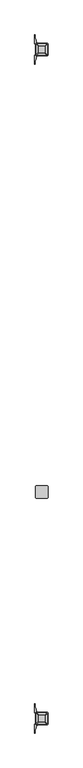
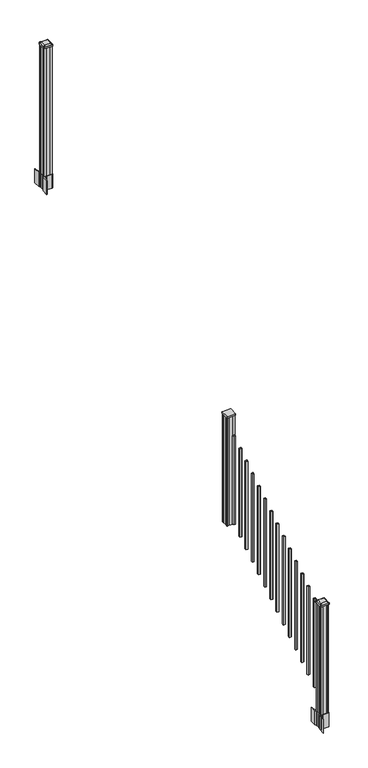
"""IFC4 building model written with IfcOpenShell, lengths in millimetres: railing geometry."""

from ifc_helpers import new_model, si_unit, point, frame, frame_2d, origin, place, context, project, spatial, polyline, circle_curve, trimmed, segment, composite_curve, outline, extrude, source, transform, mapped, element, save
from ifc_brep_helpers import plane_surface, extruded_surface, advanced_brep


def railing_dc2dd260(model_context):
    return source(origin(), model_context, "Body", "SolidModel", [
        extrude(outline(composite_curve([segment(trimmed(circle_curve(frame_2d((12573.8114534, -6074.6042181)), 3.175), [point((12573.8114534, -6077.7792181))], [point((12570.6364534, -6074.6042181))], False, "CARTESIAN"), True, "CONTINUOUS"), segment(polyline([(12570.6364534, -6074.6042181), (12570.6364534, -5990.4667181)]), True, "CONTINUOUS"), segment(trimmed(circle_curve(frame_2d((12573.8114534, -5990.4667181)), 3.175), [point((12570.6364534, -5990.4667181))], [point((12573.8114534, -5987.2917181))], False, "CARTESIAN"), True, "CONTINUOUS"), segment(polyline([(12573.8114534, -5987.2917181), (12657.9489534, -5987.2917181)]), True, "CONTINUOUS"), segment(trimmed(circle_curve(frame_2d((12657.9489534, -5990.4667181)), 3.175), [point((12657.9489534, -5987.2917181))], [point((12661.1239534, -5990.4667181))], False, "CARTESIAN"), True, "CONTINUOUS"), segment(polyline([(12661.1239534, -5990.4667181), (12661.1239534, -6074.6042181)]), True, "CONTINUOUS"), segment(trimmed(circle_curve(frame_2d((12657.9489534, -6074.6042181)), 3.175), [point((12661.1239534, -6074.6042181))], [point((12657.9489534, -6077.7792181))], False, "CARTESIAN"), True, "CONTINUOUS"), segment(polyline([(12657.9489534, -6077.7792181), (12573.8114534, -6077.7792181)]), True, "CONTINUOUS")], self_intersect=False)), frame((0.0, 0.0, 2397.566763), z_axis=(0.0, 0.0, 1.0), x_axis=(1.0, 0.0, 0.0)), (0.0, 0.0, 1.0), 17.272),
        extrude(outline(polyline([(12576.1927034, -6073.8104681), (12574.6052034, -6072.2229681), (12574.6052034, -6052.6014681), (12576.1927034, -6051.8394681), (12576.1927034, -6013.2314681), (12574.6052034, -6012.4694681), (12574.6052034, -5992.8479681), (12576.1927034, -5991.2604681), (12595.8142034, -5991.2604681), (12596.5762034, -5992.8479681), (12635.1842034, -5992.8479681), (12635.9462034, -5991.2604681), (12655.5677034, -5991.2604681), (12657.1552034, -5992.8479681), (12657.1552034, -6012.4694681), (12655.5677034, -6013.2314681), (12655.5677034, -6051.8394681), (12657.1552034, -6052.6014681), (12657.1552034, -6072.2229681), (12655.5677034, -6073.8104681), (12635.9462034, -6073.8104681), (12635.1842034, -6072.2229681), (12596.5762034, -6072.2229681), (12595.8142034, -6073.8104681), (12576.1927034, -6073.8104681)])), frame((0.0, 0.0, 1213.8025), z_axis=(0.0, 0.0, 1.0), x_axis=(1.0, 0.0, 0.0)), (0.0, 0.0, 1.0), 1183.764263),
        extrude(outline(polyline([(12625.4052034, -6137.5644681), (12606.3552034, -6137.5644681), (12606.3552034, -6118.5144681), (12625.4052034, -6118.5144681), (12625.4052034, -6137.5644681)]), holes=[polyline([(12625.0083284, -6137.1675931), (12625.0083284, -6118.9113431), (12606.7520784, -6118.9113431), (12606.7520784, -6137.1675931), (12625.0083284, -6137.1675931)])]), frame((0.0, 0.0, 1255.7083781), z_axis=(0.0, 0.0, 1.0), x_axis=(1.0, 0.0, 0.0)), (0.0, 0.0, 1.0), 965.2041219),
        extrude(outline(polyline([(12625.4052034, -6248.8164681), (12606.3552034, -6248.8164681), (12606.3552034, -6229.7664681), (12625.4052034, -6229.7664681), (12625.4052034, -6248.8164681)]), holes=[polyline([(12625.0083284, -6248.4195931), (12625.0083284, -6230.1633431), (12606.7520784, -6230.1633431), (12606.7520784, -6248.4195931), (12625.0083284, -6248.4195931)])]), frame((0.0, 0.0, 1186.1758781), z_axis=(0.0, 0.0, 1.0), x_axis=(1.0, 0.0, 0.0)), (0.0, 0.0, 1.0), 965.2041219),
        extrude(outline(polyline([(12625.4052034, -6360.0684681), (12606.3552034, -6360.0684681), (12606.3552034, -6341.0184681), (12625.4052034, -6341.0184681), (12625.4052034, -6360.0684681)]), holes=[polyline([(12625.0083284, -6359.6715931), (12625.0083284, -6341.4153431), (12606.7520784, -6341.4153431), (12606.7520784, -6359.6715931), (12625.0083284, -6359.6715931)])]), frame((0.0, 0.0, 1116.6433781), z_axis=(0.0, 0.0, 1.0), x_axis=(1.0, 0.0, 0.0)), (0.0, 0.0, 1.0), 965.2041219),
        extrude(outline(polyline([(12625.4052034, -6471.3204681), (12606.3552034, -6471.3204681), (12606.3552034, -6452.2704681), (12625.4052034, -6452.2704681), (12625.4052034, -6471.3204681)]), holes=[polyline([(12625.0083284, -6470.9235931), (12625.0083284, -6452.6673431), (12606.7520784, -6452.6673431), (12606.7520784, -6470.9235931), (12625.0083284, -6470.9235931)])]), frame((0.0, 0.0, 1047.1108781), z_axis=(0.0, 0.0, 1.0), x_axis=(1.0, 0.0, 0.0)), (0.0, 0.0, 1.0), 965.2041219),
        extrude(outline(polyline([(12625.4052034, -6582.5724681), (12606.3552034, -6582.5724681), (12606.3552034, -6563.5224681), (12625.4052034, -6563.5224681), (12625.4052034, -6582.5724681)]), holes=[polyline([(12625.0083284, -6582.1755931), (12625.0083284, -6563.9193431), (12606.7520784, -6563.9193431), (12606.7520784, -6582.1755931), (12625.0083284, -6582.1755931)])]), frame((0.0, 0.0, 977.5783781), z_axis=(0.0, 0.0, 1.0), x_axis=(1.0, 0.0, 0.0)), (0.0, 0.0, 1.0), 965.2041219),
        extrude(outline(polyline([(12625.4052034, -6693.8244681), (12606.3552034, -6693.8244681), (12606.3552034, -6674.7744681), (12625.4052034, -6674.7744681), (12625.4052034, -6693.8244681)]), holes=[polyline([(12625.0083284, -6693.4275931), (12625.0083284, -6675.1713431), (12606.7520784, -6675.1713431), (12606.7520784, -6693.4275931), (12625.0083284, -6693.4275931)])]), frame((0.0, 0.0, 908.0458781), z_axis=(0.0, 0.0, 1.0), x_axis=(1.0, 0.0, 0.0)), (0.0, 0.0, 1.0), 965.2041219),
        extrude(outline(polyline([(12625.4052034, -6805.0764681), (12606.3552034, -6805.0764681), (12606.3552034, -6786.0264681), (12625.4052034, -6786.0264681), (12625.4052034, -6805.0764681)]), holes=[polyline([(12625.0083284, -6804.6795931), (12625.0083284, -6786.4233431), (12606.7520784, -6786.4233431), (12606.7520784, -6804.6795931), (12625.0083284, -6804.6795931)])]), frame((0.0, 0.0, 838.5133781), z_axis=(0.0, 0.0, 1.0), x_axis=(1.0, 0.0, 0.0)), (0.0, 0.0, 1.0), 965.2041219),
        extrude(outline(polyline([(12625.4052034, -6916.3284681), (12606.3552034, -6916.3284681), (12606.3552034, -6897.2784681), (12625.4052034, -6897.2784681), (12625.4052034, -6916.3284681)]), holes=[polyline([(12625.0083284, -6915.9315931), (12625.0083284, -6897.6753431), (12606.7520784, -6897.6753431), (12606.7520784, -6915.9315931), (12625.0083284, -6915.9315931)])]), frame((0.0, 0.0, 768.9808781), z_axis=(0.0, 0.0, 1.0), x_axis=(1.0, 0.0, 0.0)), (0.0, 0.0, 1.0), 965.2041219),
        extrude(outline(polyline([(12625.4052034, -7027.5804681), (12606.3552034, -7027.5804681), (12606.3552034, -7008.5304681), (12625.4052034, -7008.5304681), (12625.4052034, -7027.5804681)]), holes=[polyline([(12625.0083284, -7027.1835931), (12625.0083284, -7008.9273431), (12606.7520784, -7008.9273431), (12606.7520784, -7027.1835931), (12625.0083284, -7027.1835931)])]), frame((0.0, 0.0, 699.4483781), z_axis=(0.0, 0.0, 1.0), x_axis=(1.0, 0.0, 0.0)), (0.0, 0.0, 1.0), 965.2041219),
        extrude(outline(polyline([(12625.4052034, -7138.8324681), (12606.3552034, -7138.8324681), (12606.3552034, -7119.7824681), (12625.4052034, -7119.7824681), (12625.4052034, -7138.8324681)]), holes=[polyline([(12625.0083284, -7138.4355931), (12625.0083284, -7120.1793431), (12606.7520784, -7120.1793431), (12606.7520784, -7138.4355931), (12625.0083284, -7138.4355931)])]), frame((0.0, 0.0, 629.9158781), z_axis=(0.0, 0.0, 1.0), x_axis=(1.0, 0.0, 0.0)), (0.0, 0.0, 1.0), 965.2041219),
        extrude(outline(polyline([(12625.4052034, -7250.0844681), (12606.3552034, -7250.0844681), (12606.3552034, -7231.0344681), (12625.4052034, -7231.0344681), (12625.4052034, -7250.0844681)]), holes=[polyline([(12625.0083284, -7249.6875931), (12625.0083284, -7231.4313431), (12606.7520784, -7231.4313431), (12606.7520784, -7249.6875931), (12625.0083284, -7249.6875931)])]), frame((0.0, 0.0, 560.3833781), z_axis=(0.0, 0.0, 1.0), x_axis=(1.0, 0.0, 0.0)), (0.0, 0.0, 1.0), 965.2041219),
        extrude(outline(polyline([(12625.4052034, -7361.3364681), (12606.3552034, -7361.3364681), (12606.3552034, -7342.2864681), (12625.4052034, -7342.2864681), (12625.4052034, -7361.3364681)]), holes=[polyline([(12625.0083284, -7360.9395931), (12625.0083284, -7342.6833431), (12606.7520784, -7342.6833431), (12606.7520784, -7360.9395931), (12625.0083284, -7360.9395931)])]), frame((0.0, 0.0, 490.8508781), z_axis=(0.0, 0.0, 1.0), x_axis=(1.0, 0.0, 0.0)), (0.0, 0.0, 1.0), 965.2041219),
        extrude(outline(polyline([(12625.4052034, -7472.5884681), (12606.3552034, -7472.5884681), (12606.3552034, -7453.5384681), (12625.4052034, -7453.5384681), (12625.4052034, -7472.5884681)]), holes=[polyline([(12625.0083284, -7472.1915931), (12625.0083284, -7453.9353431), (12606.7520784, -7453.9353431), (12606.7520784, -7472.1915931), (12625.0083284, -7472.1915931)])]), frame((0.0, 0.0, 421.3183781), z_axis=(0.0, 0.0, 1.0), x_axis=(1.0, 0.0, 0.0)), (0.0, 0.0, 1.0), 965.2041219),
        extrude(outline(polyline([(12625.4052034, -7583.8404681), (12606.3552034, -7583.8404681), (12606.3552034, -7564.7904681), (12625.4052034, -7564.7904681), (12625.4052034, -7583.8404681)]), holes=[polyline([(12625.0083284, -7583.4435931), (12625.0083284, -7565.1873431), (12606.7520784, -7565.1873431), (12606.7520784, -7583.4435931), (12625.0083284, -7583.4435931)])]), frame((0.0, 0.0, 351.7858781), z_axis=(0.0, 0.0, 1.0), x_axis=(1.0, 0.0, 0.0)), (0.0, 0.0, 1.0), 965.2041219),
        extrude(outline(polyline([(12576.1927034, -2792.8924681), (12574.6052034, -2791.3049681), (12574.6052034, -2771.6834681), (12576.1927034, -2770.9214681), (12576.1927034, -2732.3134681), (12574.6052034, -2731.5514681), (12574.6052034, -2711.9299681), (12576.1927034, -2710.3424681), (12595.8142034, -2710.3424681), (12596.5762034, -2711.9299681), (12635.1842034, -2711.9299681), (12635.9462034, -2710.3424681), (12655.5677034, -2710.3424681), (12657.1552034, -2711.9299681), (12657.1552034, -2731.5514681), (12655.5677034, -2732.3134681), (12655.5677034, -2770.9214681), (12657.1552034, -2771.6834681), (12657.1552034, -2791.3049681), (12655.5677034, -2792.8924681), (12635.9462034, -2792.8924681), (12635.1842034, -2791.3049681), (12596.5762034, -2791.3049681), (12595.8142034, -2792.8924681), (12576.1927034, -2792.8924681)])), frame((0.0, 0.0, 3048.0), z_axis=(0.0, 0.0, 1.0), x_axis=(1.0, 0.0, 0.0)), (0.0, 0.0, 1.0), 1400.140513),
        extrude(outline(composite_curve([segment(polyline([(12658.6157034, -2769.003563), (12660.2032034, -2769.765563), (12660.2032034, -2792.567491), (12656.8302263, -2795.9404681), (12595.3705555, -2795.9404681), (12595.3705555, -2796.8612181), (12590.0530117, -2796.8612181), (12590.0530117, -2798.3154728), (12584.968482, -2798.3154728), (12584.968482, -2799.5994966), (12583.3012097, -2799.5994966)]), True, "CONTINUOUS"), segment(trimmed(circle_curve(frame_2d((12583.3012097, -2806.6589565)), 7.0594599), [point((12583.3012097, -2799.5994966))], [point((12576.5339468, -2804.6489498))], True, "CARTESIAN"), True, "CONTINUOUS"), segment(polyline([(12576.5339468, -2804.6489498), (12568.6597526, -2831.1596789)]), True, "CONTINUOUS"), segment(trimmed(circle_curve(frame_2d((12623.4442659, -2847.4317285)), 57.15), [point((12568.6597526, -2831.1596789))], [point((12566.2942659, -2847.4317285))], True, "CARTESIAN"), True, "CONTINUOUS"), segment(polyline([(12566.2942659, -2847.4317285), (12566.2942659, -2859.4404681), (12563.2942659, -2859.4404681), (12563.2942659, -2794.3529681), (12571.5572034, -2783.0146768), (12571.5572034, -2769.765563), (12573.1447034, -2769.003563), (12573.1447034, -2734.2313732), (12571.5572034, -2733.4693732), (12571.5572034, -2720.2202594), (12563.2942659, -2708.8819681), (12563.2942659, -2643.7944681), (12566.2942659, -2643.7944681), (12566.2942659, -2655.8032076)]), True, "CONTINUOUS"), segment(trimmed(circle_curve(frame_2d((12623.4442659, -2655.8032076)), 57.15), [point((12566.2942659, -2655.8032076))], [point((12568.6597526, -2672.0752573))], True, "CARTESIAN"), True, "CONTINUOUS"), segment(polyline([(12568.6597526, -2672.0752573), (12576.5339468, -2698.5859864)]), True, "CONTINUOUS"), segment(trimmed(circle_curve(frame_2d((12583.3012097, -2696.5759797)), 7.0594599), [point((12576.5339468, -2698.5859864))], [point((12583.3012097, -2703.6354396))], True, "CARTESIAN"), True, "CONTINUOUS"), segment(polyline([(12583.3012097, -2703.6354396), (12584.968482, -2703.6354396), (12584.968482, -2704.9194634), (12590.0530117, -2704.9194634), (12590.0530117, -2706.3737181), (12595.3705555, -2706.3737181), (12595.3705555, -2707.2944681), (12656.8302263, -2707.2944681), (12660.2032034, -2710.6674452), (12660.2032034, -2733.4693732), (12658.6157034, -2734.2313732), (12658.6157034, -2769.003563)]), True, "CONTINUOUS")], self_intersect=False), holes=[polyline([(12574.6052034, -2711.9299681), (12574.6052034, -2791.3049681), (12576.1927034, -2792.8924681), (12613.116986, -2792.8924681), (12655.5677034, -2792.8924681), (12657.1552034, -2791.3049681), (12657.1552034, -2711.9299681), (12655.5677034, -2710.3424681), (12613.116986, -2710.3424681), (12576.1927034, -2710.3424681), (12574.6052034, -2711.9299681)])]), frame((0.0, 0.0, 2895.6), z_axis=(0.0, 0.0, 1.0), x_axis=(1.0, 0.0, 0.0)), (0.0, 0.0, 1.0), 152.4),
        advanced_brep(
        [(12590.0833284, -2780.5893431, 4476.715513), (12641.6770784, -2780.5893431, 4476.715513), (12644.8520784, -2777.4143431, 4476.715513), (12644.8520784, -2725.8205931, 4476.715513), (12641.6770784, -2722.6455931, 4476.715513), (12590.0833284, -2722.6455931, 4476.715513), (12586.9083284, -2725.8205931, 4476.715513), (12586.9083284, -2777.4143431, 4476.715513), (12573.8114534, -2796.8612181, 4465.412513), (12570.6364534, -2793.6862181, 4465.412513), (12570.6364534, -2709.5487181, 4465.412513), (12573.8114534, -2706.3737181, 4465.412513), (12657.9489534, -2706.3737181, 4465.412513), (12661.1239534, -2709.5487181, 4465.412513), (12661.1239534, -2793.6862181, 4465.412513), (12657.9489534, -2796.8612181, 4465.412513)],
        [
            (0, 1),
            (1, 2, circle_curve(frame((12641.6770784, -2777.4143431, 4476.715513), z_axis=(0.0, 0.0, 1.0), x_axis=(0.0, 1.0, 0.0)), 3.175)),
            (2, 3),
            (3, 4, circle_curve(frame((12641.6770784, -2725.8205931, 4476.715513), z_axis=(0.0, 0.0, 1.0), x_axis=(0.0, 1.0, 0.0)), 3.175)),
            (4, 5),
            (5, 6, circle_curve(frame((12590.0833284, -2725.8205931, 4476.715513), z_axis=(0.0, 0.0, 1.0), x_axis=(0.0, 1.0, 0.0)), 3.175)),
            (6, 7),
            (7, 0, circle_curve(frame((12590.0833284, -2777.4143431, 4476.715513), z_axis=(0.0, 0.0, 1.0), x_axis=(0.0, 1.0, 0.0)), 3.175)),
            (8, 9, circle_curve(frame((12573.8114534, -2793.6862181, 4465.412513), z_axis=(0.0, 0.0, -1.0), x_axis=(0.0, 1.0, 0.0)), 3.175)),
            (9, 10),
            (10, 11, circle_curve(frame((12573.8114534, -2709.5487181, 4465.412513), z_axis=(0.0, 0.0, -1.0), x_axis=(0.0, 1.0, 0.0)), 3.175)),
            (11, 12),
            (12, 13, circle_curve(frame((12657.9489534, -2709.5487181, 4465.412513), z_axis=(0.0, 0.0, -1.0), x_axis=(0.0, 1.0, 0.0)), 3.175)),
            (13, 14),
            (14, 15, circle_curve(frame((12657.9489534, -2793.6862181, 4465.412513), z_axis=(0.0, 0.0, -1.0), x_axis=(0.0, 1.0, 0.0)), 3.175)),
            (15, 8),
            (8, 0),
            (7, 9),
            (6, 10),
            (5, 11),
            (4, 12),
            (3, 13),
            (2, 14),
            (1, 15),
        ],
        [
            plane_surface(frame((12615.8802034, -2751.6174681, 4476.715513), z_axis=(0.0, 0.0, 1.0), x_axis=(-1.0, 0.0, 0.0))),
            plane_surface(frame((12615.8802034, -2751.6174681, 4465.412513), z_axis=(0.0, 0.0, -1.0), x_axis=(-1.0, 0.0, 0.0))),
            extruded_surface(trimmed(circle_curve(frame((12590.0833284, -2777.4143431, 4476.715513), z_axis=(0.0, 0.0, -1.0), x_axis=(0.0, 1.0, 0.0)), 3.175), [point((12590.0833284, -2780.5893431, 4476.715513))], [point((12586.9083284, -2777.4143431, 4476.715513))], True, "CARTESIAN"), (-16.271875000000364, -16.27187499999991, -11.302999999999884), 25.637972638866284),
            plane_surface(frame((12570.6364534, -2751.6174681, 4465.412513), z_axis=(-0.5705009161540685, 0.0, 0.8212969649690474), x_axis=(0.0, 1.0, 0.0))),
            extruded_surface(trimmed(circle_curve(frame((12590.0833284, -2725.8205931, 4476.715513), z_axis=(0.0, 0.0, -1.0), x_axis=(0.0, 1.0, 0.0)), 3.175), [point((12586.9083284, -2725.8205931, 4476.715513))], [point((12590.0833284, -2722.6455931, 4476.715513))], True, "CARTESIAN"), (-16.271875000000364, 16.271875000000364, -11.302999999999884), 25.63797263886657),
            plane_surface(frame((12615.8802034, -2706.3737181, 4465.412513), z_axis=(0.0, 0.5705009161540291, 0.8212969649690747), x_axis=(1.0, 0.0, 0.0))),
            extruded_surface(trimmed(circle_curve(frame((12641.6770784, -2725.8205931, 4476.715513), z_axis=(0.0, 0.0, -1.0), x_axis=(0.0, 1.0, 0.0)), 3.175), [point((12641.6770784, -2722.6455931, 4476.715513))], [point((12644.8520784, -2725.8205931, 4476.715513))], True, "CARTESIAN"), (16.271875000000364, 16.271875000000364, -11.302999999999884), 25.63797263886657),
            plane_surface(frame((12661.1239534, -2751.6174681, 4465.412513), z_axis=(0.5705009161540235, 0.0, 0.8212969649690786), x_axis=(0.0, -1.0, 0.0))),
            extruded_surface(trimmed(circle_curve(frame((12641.6770784, -2777.4143431, 4476.715513), z_axis=(0.0, 0.0, -1.0), x_axis=(0.0, 1.0, 0.0)), 3.175), [point((12644.8520784, -2777.4143431, 4476.715513))], [point((12641.6770784, -2780.5893431, 4476.715513))], True, "CARTESIAN"), (16.271875000000364, -16.27187499999991, -11.302999999999884), 25.637972638866284),
            plane_surface(frame((12615.8802034, -2796.8612181, 4465.412513), z_axis=(0.0, -0.570500916154034, 0.8212969649690713), x_axis=(-1.0, 0.0, 0.0))),
        ],
        [
            (0, [[1, 2, 3, 4, 5, 6, 7, 8]]),
            (1, [[9, 10, 11, 12, 13, 14, 15, 16]]),
            (2, [[17, -8, 18, -9]]),
            (3, [[-18, -7, 19, -10]]),
            (4, [[-19, -6, 20, -11]]),
            (5, [[-20, -5, 21, -12]]),
            (6, [[-21, -4, 22, -13]]),
            (7, [[-22, -3, 23, -14]]),
            (8, [[-23, -2, 24, -15]]),
            (9, [[-24, -1, -17, -16]]),
        ],
    ),
        extrude(outline(composite_curve([segment(trimmed(circle_curve(frame_2d((12573.8114534, -2793.6862181)), 3.175), [point((12573.8114534, -2796.8612181))], [point((12570.6364534, -2793.6862181))], False, "CARTESIAN"), True, "CONTINUOUS"), segment(polyline([(12570.6364534, -2793.6862181), (12570.6364534, -2709.5487181)]), True, "CONTINUOUS"), segment(trimmed(circle_curve(frame_2d((12573.8114534, -2709.5487181)), 3.175), [point((12570.6364534, -2709.5487181))], [point((12573.8114534, -2706.3737181))], False, "CARTESIAN"), True, "CONTINUOUS"), segment(polyline([(12573.8114534, -2706.3737181), (12657.9489534, -2706.3737181)]), True, "CONTINUOUS"), segment(trimmed(circle_curve(frame_2d((12657.9489534, -2709.5487181)), 3.175), [point((12657.9489534, -2706.3737181))], [point((12661.1239534, -2709.5487181))], False, "CARTESIAN"), True, "CONTINUOUS"), segment(polyline([(12661.1239534, -2709.5487181), (12661.1239534, -2793.6862181)]), True, "CONTINUOUS"), segment(trimmed(circle_curve(frame_2d((12657.9489534, -2793.6862181)), 3.175), [point((12661.1239534, -2793.6862181))], [point((12657.9489534, -2796.8612181))], False, "CARTESIAN"), True, "CONTINUOUS"), segment(polyline([(12657.9489534, -2796.8612181), (12573.8114534, -2796.8612181)]), True, "CONTINUOUS")], self_intersect=False)), frame((0.0, 0.0, 4448.140513), z_axis=(0.0, 0.0, 1.0), x_axis=(1.0, 0.0, 0.0)), (0.0, 0.0, 1.0), 17.272),
        extrude(outline(composite_curve([segment(polyline([(12658.6157034, -7728.607563), (12660.2032034, -7729.369563), (12660.2032034, -7752.171491), (12656.8302263, -7755.5444681), (12595.3705555, -7755.5444681), (12595.3705555, -7756.4652181), (12590.0530117, -7756.4652181), (12590.0530117, -7757.9194728), (12584.968482, -7757.9194728), (12584.968482, -7759.2034966), (12583.3012097, -7759.2034966)]), True, "CONTINUOUS"), segment(trimmed(circle_curve(frame_2d((12583.3012097, -7766.2629565)), 7.0594599), [point((12583.3012097, -7759.2034966))], [point((12576.5339468, -7764.2529498))], True, "CARTESIAN"), True, "CONTINUOUS"), segment(polyline([(12576.5339468, -7764.2529498), (12568.6597526, -7790.7636789)]), True, "CONTINUOUS"), segment(trimmed(circle_curve(frame_2d((12623.4442659, -7807.0357285)), 57.15), [point((12568.6597526, -7790.7636789))], [point((12566.2942659, -7807.0357285))], True, "CARTESIAN"), True, "CONTINUOUS"), segment(polyline([(12566.2942659, -7807.0357285), (12566.2942659, -7819.0444681), (12563.2942659, -7819.0444681), (12563.2942659, -7753.9569681), (12571.5572034, -7742.6186768), (12571.5572034, -7729.369563), (12573.1447034, -7728.607563), (12573.1447034, -7693.8353732), (12571.5572034, -7693.0733732), (12571.5572034, -7679.8242594), (12563.2942659, -7668.4859681), (12563.2942659, -7603.3984681), (12566.2942659, -7603.3984681), (12566.2942659, -7615.4072076)]), True, "CONTINUOUS"), segment(trimmed(circle_curve(frame_2d((12623.4442659, -7615.4072076)), 57.15), [point((12566.2942659, -7615.4072076))], [point((12568.6597526, -7631.6792573))], True, "CARTESIAN"), True, "CONTINUOUS"), segment(polyline([(12568.6597526, -7631.6792573), (12576.5339468, -7658.1899864)]), True, "CONTINUOUS"), segment(trimmed(circle_curve(frame_2d((12583.3012097, -7656.1799797)), 7.0594599), [point((12576.5339468, -7658.1899864))], [point((12583.3012097, -7663.2394396))], True, "CARTESIAN"), True, "CONTINUOUS"), segment(polyline([(12583.3012097, -7663.2394396), (12584.968482, -7663.2394396), (12584.968482, -7664.5234634), (12590.0530117, -7664.5234634), (12590.0530117, -7665.9777181), (12595.3705555, -7665.9777181), (12595.3705555, -7666.8984681), (12656.8302263, -7666.8984681), (12660.2032034, -7670.2714452), (12660.2032034, -7693.0733732), (12658.6157034, -7693.8353732), (12658.6157034, -7728.607563)]), True, "CONTINUOUS")], self_intersect=False), holes=[polyline([(12574.6052034, -7671.5339681), (12574.6052034, -7750.9089681), (12576.1927034, -7752.4964681), (12613.116986, -7752.4964681), (12655.5677034, -7752.4964681), (12657.1552034, -7750.9089681), (12657.1552034, -7671.5339681), (12655.5677034, -7669.9464681), (12613.116986, -7669.9464681), (12576.1927034, -7669.9464681), (12574.6052034, -7671.5339681)])]), frame((0.0, 0.0, 12.22375), z_axis=(0.0, 0.0, 1.0), x_axis=(1.0, 0.0, 0.0)), (0.0, 0.0, 1.0), 152.4),
        advanced_brep(
        [(12590.0833284, -7740.1933431, 1376.963013), (12641.6770784, -7740.1933431, 1376.963013), (12644.8520784, -7737.0183431, 1376.963013), (12644.8520784, -7685.4245931, 1376.963013), (12641.6770784, -7682.2495931, 1376.963013), (12590.0833284, -7682.2495931, 1376.963013), (12586.9083284, -7685.4245931, 1376.963013), (12586.9083284, -7737.0183431, 1376.963013), (12573.8114534, -7756.4652181, 1365.660013), (12570.6364534, -7753.2902181, 1365.660013), (12570.6364534, -7669.1527181, 1365.660013), (12573.8114534, -7665.9777181, 1365.660013), (12657.9489534, -7665.9777181, 1365.660013), (12661.1239534, -7669.1527181, 1365.660013), (12661.1239534, -7753.2902181, 1365.660013), (12657.9489534, -7756.4652181, 1365.660013)],
        [
            (0, 1),
            (1, 2, circle_curve(frame((12641.6770784, -7737.0183431, 1376.963013), z_axis=(0.0, 0.0, 1.0), x_axis=(0.0, 1.0, 0.0)), 3.175)),
            (2, 3),
            (3, 4, circle_curve(frame((12641.6770784, -7685.4245931, 1376.963013), z_axis=(0.0, 0.0, 1.0), x_axis=(0.0, 1.0, 0.0)), 3.175)),
            (4, 5),
            (5, 6, circle_curve(frame((12590.0833284, -7685.4245931, 1376.963013), z_axis=(0.0, 0.0, 1.0), x_axis=(0.0, 1.0, 0.0)), 3.175)),
            (6, 7),
            (7, 0, circle_curve(frame((12590.0833284, -7737.0183431, 1376.963013), z_axis=(0.0, 0.0, 1.0), x_axis=(0.0, 1.0, 0.0)), 3.175)),
            (8, 9, circle_curve(frame((12573.8114534, -7753.2902181, 1365.660013), z_axis=(0.0, 0.0, -1.0), x_axis=(0.0, 1.0, 0.0)), 3.175)),
            (9, 10),
            (10, 11, circle_curve(frame((12573.8114534, -7669.1527181, 1365.660013), z_axis=(0.0, 0.0, -1.0), x_axis=(0.0, 1.0, 0.0)), 3.175)),
            (11, 12),
            (12, 13, circle_curve(frame((12657.9489534, -7669.1527181, 1365.660013), z_axis=(0.0, 0.0, -1.0), x_axis=(0.0, 1.0, 0.0)), 3.175)),
            (13, 14),
            (14, 15, circle_curve(frame((12657.9489534, -7753.2902181, 1365.660013), z_axis=(0.0, 0.0, -1.0), x_axis=(0.0, 1.0, 0.0)), 3.175)),
            (15, 8),
            (8, 0),
            (7, 9),
            (6, 10),
            (5, 11),
            (4, 12),
            (3, 13),
            (2, 14),
            (1, 15),
        ],
        [
            plane_surface(frame((12615.8802034, -7711.2214681, 1376.963013), z_axis=(0.0, 0.0, 1.0), x_axis=(-1.0, 0.0, 0.0))),
            plane_surface(frame((12615.8802034, -7711.2214681, 1365.660013), z_axis=(0.0, 0.0, -1.0), x_axis=(-1.0, 0.0, 0.0))),
            extruded_surface(trimmed(circle_curve(frame((12590.0833284, -7737.0183431, 1376.963013), z_axis=(0.0, 0.0, -1.0), x_axis=(0.0, 1.0, 0.0)), 3.175), [point((12590.0833284, -7740.1933431, 1376.963013))], [point((12586.9083284, -7737.0183431, 1376.963013))], True, "CARTESIAN"), (-16.271875000000364, -16.271875000000364, -11.303000000000111), 25.63797263886667),
            plane_surface(frame((12570.6364534, -7711.2214681, 1365.660013), z_axis=(-0.5705009161540778, 0.0, 0.8212969649690408), x_axis=(0.0, 1.0, 0.0))),
            extruded_surface(trimmed(circle_curve(frame((12590.0833284, -7685.4245931, 1376.963013), z_axis=(0.0, 0.0, -1.0), x_axis=(0.0, 1.0, 0.0)), 3.175), [point((12586.9083284, -7685.4245931, 1376.963013))], [point((12590.0833284, -7682.2495931, 1376.963013))], True, "CARTESIAN"), (-16.271875000000364, 16.271874999999454, -11.303000000000111), 25.637972638866096),
            plane_surface(frame((12615.8802034, -7665.9777181, 1365.660013), z_axis=(0.0, 0.5705009161540291, 0.8212969649690747), x_axis=(1.0, 0.0, 0.0))),
            extruded_surface(trimmed(circle_curve(frame((12641.6770784, -7685.4245931, 1376.963013), z_axis=(0.0, 0.0, -1.0), x_axis=(0.0, 1.0, 0.0)), 3.175), [point((12641.6770784, -7682.2495931, 1376.963013))], [point((12644.8520784, -7685.4245931, 1376.963013))], True, "CARTESIAN"), (16.271875000000364, 16.271874999999454, -11.303000000000111), 25.637972638866096),
            plane_surface(frame((12661.1239534, -7711.2214681, 1365.660013), z_axis=(0.5705009161540142, 0.0, 0.8212969649690851), x_axis=(0.0, -1.0, 0.0))),
            extruded_surface(trimmed(circle_curve(frame((12641.6770784, -7737.0183431, 1376.963013), z_axis=(0.0, 0.0, -1.0), x_axis=(0.0, 1.0, 0.0)), 3.175), [point((12644.8520784, -7737.0183431, 1376.963013))], [point((12641.6770784, -7740.1933431, 1376.963013))], True, "CARTESIAN"), (16.271875000000364, -16.271875000000364, -11.303000000000111), 25.63797263886667),
            plane_surface(frame((12615.8802034, -7756.4652181, 1365.660013), z_axis=(0.0, -0.570500916154034, 0.8212969649690713), x_axis=(-1.0, 0.0, 0.0))),
        ],
        [
            (0, [[1, 2, 3, 4, 5, 6, 7, 8]]),
            (1, [[9, 10, 11, 12, 13, 14, 15, 16]]),
            (2, [[17, -8, 18, -9]]),
            (3, [[-18, -7, 19, -10]]),
            (4, [[-19, -6, 20, -11]]),
            (5, [[-20, -5, 21, -12]]),
            (6, [[-21, -4, 22, -13]]),
            (7, [[-22, -3, 23, -14]]),
            (8, [[-23, -2, 24, -15]]),
            (9, [[-24, -1, -17, -16]]),
        ],
    ),
        extrude(outline(composite_curve([segment(trimmed(circle_curve(frame_2d((12573.8114534, -7753.2902181)), 3.175), [point((12573.8114534, -7756.4652181))], [point((12570.6364534, -7753.2902181))], False, "CARTESIAN"), True, "CONTINUOUS"), segment(polyline([(12570.6364534, -7753.2902181), (12570.6364534, -7669.1527181)]), True, "CONTINUOUS"), segment(trimmed(circle_curve(frame_2d((12573.8114534, -7669.1527181)), 3.175), [point((12570.6364534, -7669.1527181))], [point((12573.8114534, -7665.9777181))], False, "CARTESIAN"), True, "CONTINUOUS"), segment(polyline([(12573.8114534, -7665.9777181), (12657.9489534, -7665.9777181)]), True, "CONTINUOUS"), segment(trimmed(circle_curve(frame_2d((12657.9489534, -7669.1527181)), 3.175), [point((12657.9489534, -7665.9777181))], [point((12661.1239534, -7669.1527181))], False, "CARTESIAN"), True, "CONTINUOUS"), segment(polyline([(12661.1239534, -7669.1527181), (12661.1239534, -7753.2902181)]), True, "CONTINUOUS"), segment(trimmed(circle_curve(frame_2d((12657.9489534, -7753.2902181)), 3.175), [point((12661.1239534, -7753.2902181))], [point((12657.9489534, -7756.4652181))], False, "CARTESIAN"), True, "CONTINUOUS"), segment(polyline([(12657.9489534, -7756.4652181), (12573.8114534, -7756.4652181)]), True, "CONTINUOUS")], self_intersect=False)), frame((0.0, 0.0, 1348.388013), z_axis=(0.0, 0.0, 1.0), x_axis=(1.0, 0.0, 0.0)), (0.0, 0.0, 1.0), 17.272),
        extrude(outline(polyline([(12576.1927034, -7752.4964681), (12574.6052034, -7750.9089681), (12574.6052034, -7731.2874681), (12576.1927034, -7730.5254681), (12576.1927034, -7691.9174681), (12574.6052034, -7691.1554681), (12574.6052034, -7671.5339681), (12576.1927034, -7669.9464681), (12595.8142034, -7669.9464681), (12596.5762034, -7671.5339681), (12635.1842034, -7671.5339681), (12635.9462034, -7669.9464681), (12655.5677034, -7669.9464681), (12657.1552034, -7671.5339681), (12657.1552034, -7691.1554681), (12655.5677034, -7691.9174681), (12655.5677034, -7730.5254681), (12657.1552034, -7731.2874681), (12657.1552034, -7750.9089681), (12655.5677034, -7752.4964681), (12635.9462034, -7752.4964681), (12635.1842034, -7750.9089681), (12596.5762034, -7750.9089681), (12595.8142034, -7752.4964681), (12576.1927034, -7752.4964681)])), frame((0.0, 0.0, 164.62375), z_axis=(0.0, 0.0, 1.0), x_axis=(1.0, 0.0, 0.0)), (0.0, 0.0, 1.0), 1183.764263),
    ])


if __name__ == "__main__":
    model = new_model("IFC4")
    model_context = context("Model", 3, world=origin())
    ifc_project = project(units=[si_unit("LENGTHUNIT", "METRE", prefix="MILLI")], contexts=[model_context])
    site = spatial("IfcSite", under=ifc_project)
    building = spatial("IfcBuilding", under=site)
    placement = place(None, origin())
    railing_shape = railing_dc2dd260(model_context)
    element("IfcRailing", 1, at=placement, inside=building, context=model_context, shape_type="MappedRepresentation", body=[
        mapped(railing_shape, transform((0.0, 0.0, 0.0), x_axis=(1.0, 0.0, 0.0), y_axis=(0.0, 1.0, 0.0), z_axis=(0.0, 0.0, 1.0))),
    ])
    save(model, "model.ifc")
